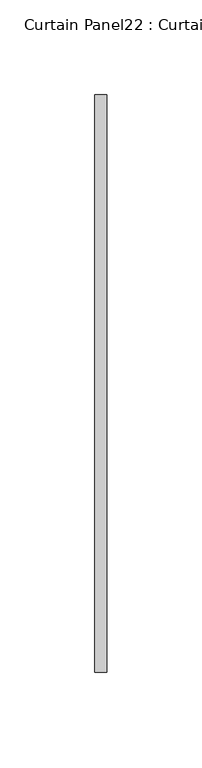
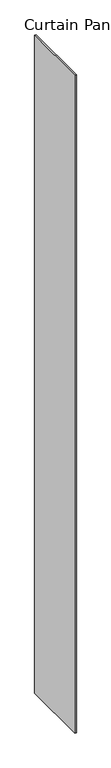
"""IFC4 building model written with IfcOpenShell, lengths in millimetres: plate geometry, Curtain Panel22 : Curtain Panel."""

from ifc_helpers import new_model, si_unit, origin, origin_with_axes, place, context, project, spatial, polyline, outline, extrude, source, transform, mapped, element, save


def curtain_panel22_curtain_panel_b617a21a(model_context):
    return source(origin(), model_context, "Body", "SweptSolid", [
        extrude(outline(polyline([(-3664.2881919, 2030.7041784), (-3664.2881919, 2335.5041784), (-3657.9381919, 2335.5041784), (-3657.9381919, 2030.7041784), (-3664.2881919, 2030.7041784)])), origin_with_axes(), (0.0, 0.0, 1.0), 3048.0),
    ])


if __name__ == "__main__":
    model = new_model("IFC4")
    model_context = context("Model", 3, world=origin())
    ifc_project = project(units=[si_unit("LENGTHUNIT", "METRE", prefix="MILLI")], contexts=[model_context])
    site = spatial("IfcSite", under=ifc_project)
    building = spatial("IfcBuilding", under=site)
    placement = place(None, origin())
    curtain_panel22_curtain_panel_shape = curtain_panel22_curtain_panel_b617a21a(model_context)
    element("IfcPlate", 1, ObjectType="Curtain Panel22 : Curtain Panel", at=placement, inside=building, context=model_context, shape_type="MappedRepresentation", body=[
        mapped(curtain_panel22_curtain_panel_shape, transform((0.0, 0.0, 0.0), x_axis=(1.0, 0.0, 0.0), y_axis=(0.0, 1.0, 0.0), z_axis=(0.0, 0.0, 1.0))),
    ])
    save(model, "model.ifc")
